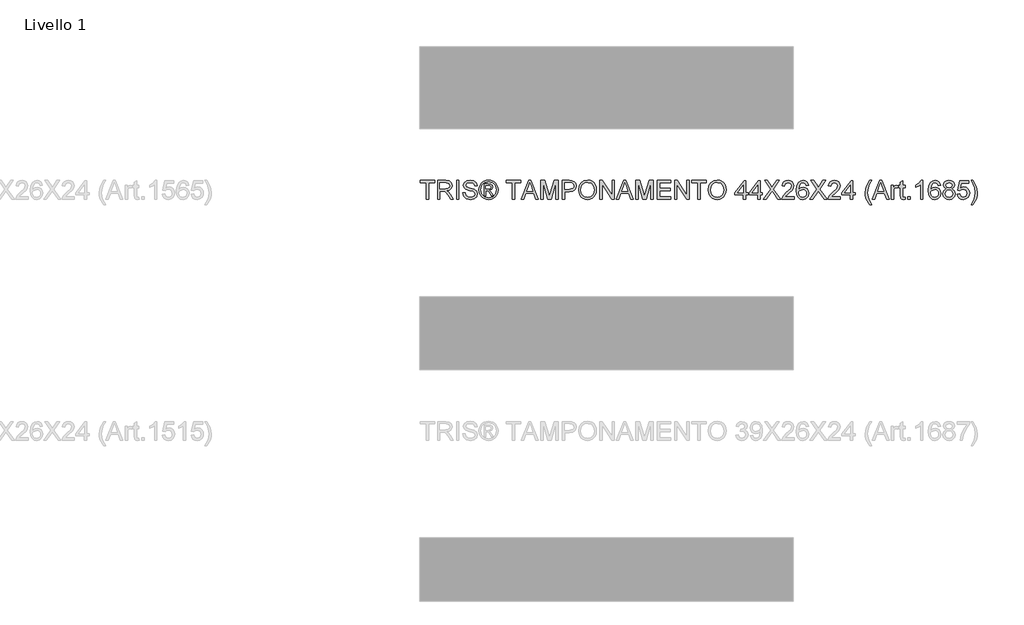
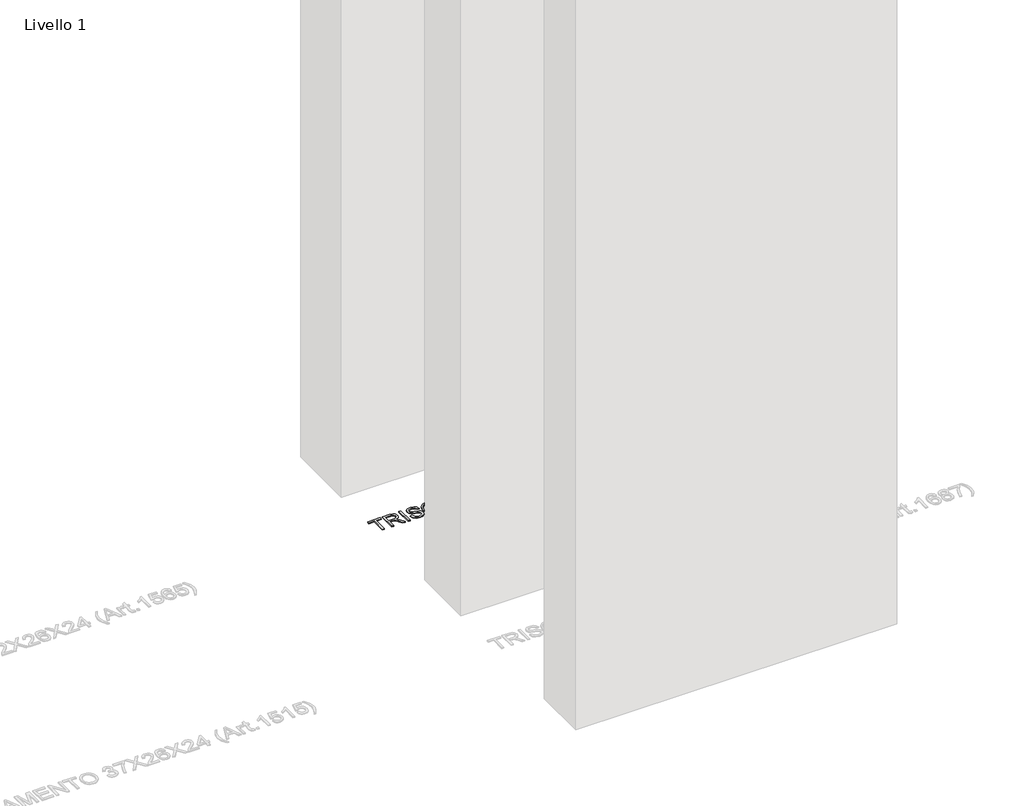
# One storey, part 16 of 16: 1 proxy.
"""IFC4 building model written with IfcOpenShell, lengths in millimetres."""

import ifcopenshell
import ifcopenshell.guid

model = None  # the IFC model being written
_history = None  # IfcOwnerHistory: only IFC2X3 demands one
_inside = {}  # id of a spatial element -> (the spatial element, [elements in it])
_under = {}  # id of a project, library or spatial element -> (it, [spatial elements below it])
_declared = {}  # id of a project -> (the project, [libraries it declares])
_typed = {}  # id of a type object -> (the type object, [elements of that type])
_made_of = {}  # id of a material, layer set ... -> (it, [elements and type objects made of it])


def new_model(schema):
    """Start an empty IFC model of exactly this schema.

    Asked for "IFC4X3", IfcOpenShell would pick the latest addendum, in which some entities
    have other attributes; the version numbers below select the first issue.
    IFC2X3 requires an IfcOwnerHistory on every rooted entity: one is made here for all.
    """
    global model, _history
    if schema == "IFC4X3":
        model = ifcopenshell.file(schema_version=(4, 3, 0, 0))
    else:
        model = ifcopenshell.file(schema=schema)
    _inside.clear()
    _under.clear()
    _declared.clear()
    _typed.clear()
    _made_of.clear()
    _history = None
    if model.schema == "IFC2X3":
        org = make("IfcOrganization", Name="unknown")
        user = make(
            "IfcPersonAndOrganization",
            ThePerson=make("IfcPerson", FamilyName="unknown"),
            TheOrganization=org,
        )
        app = make(
            "IfcApplication",
            ApplicationDeveloper=org,
            Version="unknown",
            ApplicationFullName="unknown",
            ApplicationIdentifier="unknown",
        )
        _history = make(
            "IfcOwnerHistory",
            OwningUser=user,
            OwningApplication=app,
            ChangeAction="ADDED",
            CreationDate=0,
        )
    return model


def make(cls, **values):
    """One entity of the class cls with the attributes given. An attribute that is None is left unset."""
    return model.create_entity(
        cls, **{name: value for name, value in values.items() if value is not None}
    )


def rooted(cls, **values):
    """An entity with a GlobalId (a new one), such as an element, a storey or a relation."""
    return make(cls, GlobalId=ifcopenshell.guid.new(), OwnerHistory=_history, **values)


def si_unit(unit_type, name, prefix=None):
    """IfcSIUnit, for example si_unit("LENGTHUNIT", "METRE", prefix="MILLI")."""
    return make("IfcSIUnit", UnitType=unit_type, Prefix=prefix, Name=name)


def assignment(units):
    """IfcUnitAssignment: the units of a project."""
    return None if units is None else make("IfcUnitAssignment", Units=units)


def point(xyz):
    """IfcCartesianPoint."""
    return None if xyz is None else make("IfcCartesianPoint", Coordinates=xyz)


def direction(xyz):
    """IfcDirection."""
    return None if xyz is None else make("IfcDirection", DirectionRatios=xyz)


def frame(location, z_axis=None, x_axis=None):
    """IfcAxis2Placement3D, a coordinate frame: its origin and axes. An axis left out is left unset."""
    return make(
        "IfcAxis2Placement3D",
        Location=point(location),
        Axis=direction(z_axis),
        RefDirection=direction(x_axis),
    )


def origin():
    """The frame at (0, 0, 0) with its axes left unset."""
    return frame((0.0, 0.0, 0.0))


def origin_with_axes():
    """The frame at (0, 0, 0) with the z axis (0, 0, 1) and the x axis (1, 0, 0) written out."""
    return frame((0.0, 0.0, 0.0), z_axis=(0.0, 0.0, 1.0), x_axis=(1.0, 0.0, 0.0))


def place(relative_to, where):
    """IfcLocalPlacement: puts the frame where relative to a parent placement (None: the world)."""
    return make(
        "IfcLocalPlacement", PlacementRelTo=relative_to, RelativePlacement=where
    )


def context(
    kind, dimensions, precision=None, world=None, true_north=None, identifier=None
):
    """IfcGeometricRepresentationContext, for example the 3D "Model" context."""
    return make(
        "IfcGeometricRepresentationContext",
        ContextIdentifier=identifier,
        ContextType=kind,
        CoordinateSpaceDimension=dimensions,
        Precision=precision,
        WorldCoordinateSystem=world,
        TrueNorth=true_north,
    )


def project(units=None, contexts=None):
    """IfcProject with its units and contexts."""
    return rooted(
        "IfcProject",
        Name="project",
        RepresentationContexts=contexts,
        UnitsInContext=assignment(units),
    )


def spatial(cls, under=None, at=None, **own):
    """A site, building, storey or space (cls), placed at a placement, below another one or the project."""
    s = rooted(cls, ObjectPlacement=at, **own)
    if under is not None:
        _under.setdefault(under.id(), (under, []))[1].append(s)
    return s


def polyline(points):
    """IfcPolyline through the points."""
    return make("IfcPolyline", Points=[point(p) for p in points])


def outline(outer, holes=None, kind="AREA"):
    """IfcArbitraryClosedProfileDef: a profile drawn as a closed curve; with holes, ...WithVoids."""
    if holes is None:
        return make("IfcArbitraryClosedProfileDef", ProfileType=kind, OuterCurve=outer)
    return make(
        "IfcArbitraryProfileDefWithVoids",
        ProfileType=kind,
        OuterCurve=outer,
        InnerCurves=holes,
    )


def extrude(swept, where, along, depth):
    """IfcExtrudedAreaSolid: the profile swept, set in the frame where, extruded along a direction by depth."""
    return make(
        "IfcExtrudedAreaSolid",
        SweptArea=swept,
        Position=where,
        ExtrudedDirection=direction(along),
        Depth=depth,
    )


def shape(context_of_items, identifier, shape_type, items):
    """IfcShapeRepresentation: the items that make up one representation, for example the "Body"."""
    return make(
        "IfcShapeRepresentation",
        ContextOfItems=context_of_items,
        RepresentationIdentifier=identifier,
        RepresentationType=shape_type,
        Items=items,
    )


def made_of(thing, what):
    """Note that an element or type object is made of a material, layer set ...; save() writes the relation."""
    if what is not None:
        _made_of.setdefault(what.id(), (what, []))[1].append(thing)
    return thing


def element(
    cls,
    number,
    at=None,
    inside=None,
    cuts=None,
    type_object=None,
    material=None,
    context=None,
    identifier="Body",
    shape_type=None,
    held_by="IfcProductDefinitionShape",
    body=None,
    shapes=None,
    **own,
):
    """One element of the class cls, such as IfcWall. Its Tag is "e" and its number.

    at: its placement. inside: the storey or other place that contains it. cuts: it is an
    opening in that element (IfcRelVoidsElement). A single representation is given by context,
    identifier, shape_type and body (its items); several are given by shapes. held_by: the class
    of the entity that holds the representations. save() writes the other relations.
    """
    e = rooted(cls, Tag="e%d" % number, ObjectPlacement=at, **own)
    if body is not None:
        shapes = [shape(context, identifier, shape_type, body)]
    if shapes is not None:
        e.Representation = make(held_by, Representations=shapes)
    if inside is not None:
        _inside.setdefault(inside.id(), (inside, []))[1].append(e)
    if cuts is not None:
        rooted(
            "IfcRelVoidsElement", RelatingBuildingElement=cuts, RelatedOpeningElement=e
        )
    if type_object is not None:
        _typed.setdefault(type_object.id(), (type_object, []))[1].append(e)
    return made_of(e, material)


def aggregate(whole, parts):
    """IfcRelAggregates: a whole, such as a stair, and the parts it consists of."""
    return rooted("IfcRelAggregates", RelatingObject=whole, RelatedObjects=parts)


def save(model, path):
    """Write the relations noted so far, then the file.

    IfcRelAggregates (storeys below a building ...), IfcRelContainedInSpatialStructure (elements
    in a storey), IfcRelDefinesByType, IfcRelAssociatesMaterial and IfcRelDeclares: one each for
    every whole, place, type object, material and project.
    """
    for whole, parts in _under.values():
        aggregate(whole, parts)
    for where, things in _inside.values():
        rooted(
            "IfcRelContainedInSpatialStructure",
            RelatedElements=things,
            RelatingStructure=where,
        )
    for kind, things in _typed.values():
        rooted("IfcRelDefinesByType", RelatedObjects=things, RelatingType=kind)
    for what, things in _made_of.values():
        rooted("IfcRelAssociatesMaterial", RelatedObjects=things, RelatingMaterial=what)
    for by, libraries in _declared.values():
        rooted("IfcRelDeclares", RelatingContext=by, RelatedDefinitions=libraries)
    model.write(path)


model = new_model("IFC4")

# Units and contexts
model_context = context("Model", 3, world=origin())
ifc_project = project(units=[si_unit("LENGTHUNIT", "METRE", prefix="MILLI")], contexts=[model_context])

# Site, building, storey
site = spatial("IfcSite", under=ifc_project)
building = spatial("IfcBuilding", under=site)
storey = spatial("IfcBuildingStorey", under=building, Name="Livello 1", Elevation=0.0)

# Proxy
placement = place(None, origin())
element("IfcBuildingElementProxy", 1, Name="100", ObjectType="100", at=placement, inside=storey, context=model_context, shape_type="SweptSolid", body=[
    extrude(outline(polyline([(2625.2646003, 7289.0708569), (2625.2646003, 7376.9701283), (2592.3023735, 7376.9701283), (2592.3023735, 7389.527167), (2670.7838658, 7389.527167), (2670.7838658, 7376.9701283), (2637.8216391, 7376.9701283), (2637.8216391, 7289.0708569), (2625.2646003, 7289.0708569)])), origin_with_axes(), (0.0, 0.0, 1.0), 5.0),
    extrude(outline(polyline([(2684.9105345, 7289.0708569), (2684.9105345, 7389.527167), (2728.1979826, 7389.527167), (2748.2966022, 7386.817103), (2759.2840112, 7377.2276457), (2763.3920268, 7362.0341193), (2761.6905725, 7352.1380936), (2756.5862099, 7343.9343251), (2747.9256546, 7337.9194545), (2735.5556225, 7334.5901224), (2742.6925332, 7329.2190453), (2752.8706017, 7316.2941245), (2769.6214952, 7289.0708569), (2755.0288427, 7289.0708569), (2741.9567692, 7309.8929778), (2732.5144646, 7323.6762899), (2725.880326, 7330.1878012), (2719.9083749, 7332.5790342), (2712.6243114, 7333.0204926), (2697.4675732, 7333.0204926), (2697.4675732, 7289.0708569), (2684.9105345, 7289.0708569)]), holes=[polyline([(2697.4675732, 7345.5775314), (2725.5737577, 7345.5775314), (2739.9088927, 7347.3556277), (2748.0513476, 7353.0455359), (2750.834988, 7361.5681354), (2745.5252245, 7372.6291207), (2728.7375428, 7376.9701283), (2697.4675732, 7376.9701283), (2697.4675732, 7345.5775314)])]), origin_with_axes(), (0.0, 0.0, 1.0), 5.0),
    extrude(outline(polyline([(2786.9364745, 7289.0708569), (2786.9364745, 7389.527167), (2799.4935132, 7389.527167), (2799.4935132, 7289.0708569), (2786.9364745, 7289.0708569)])), origin_with_axes(), (0.0, 0.0, 1.0), 5.0),
    extrude(outline(polyline([(2819.8987012, 7323.6027135), (2832.45574, 7323.6027135), (2836.5024419, 7311.033412), (2846.3862049, 7303.0871609), (2861.4448412, 7300.0582658), (2874.5659657, 7302.3513969), (2883.0395143, 7308.6544418), (2885.8231548, 7317.0789395), (2883.7384901, 7324.914826), (2875.2036278, 7330.6169969), (2856.9198927, 7335.4117256), (2837.2382059, 7341.6044058), (2826.5573653, 7350.9486085), (2823.0379609, 7363.4320709), (2827.3912312, 7377.6445786), (2840.1076855, 7387.6754943), (2858.7225144, 7391.0967969), (2878.5881422, 7387.5160788), (2891.831894, 7376.9946537), (2896.8105637, 7361.2738298), (2884.2535249, 7361.2738298), (2881.9481311, 7368.7663598), (2877.1411397, 7374.1742251), (2859.2130238, 7378.5397581), (2841.2358569, 7374.2232761), (2835.5949997, 7363.7999529), (2839.5926507, 7355.0934123), (2860.0959406, 7348.0791289), (2882.3160131, 7341.7760841), (2894.4683816, 7331.5980155), (2898.3801935, 7317.3977705), (2893.8797705, 7302.3759224), (2880.9303242, 7291.4130389), (2861.9353505, 7287.5012271), (2839.5068116, 7291.7196073), (2825.3188293, 7304.4237988), (2819.8987012, 7323.6027135)])), origin_with_axes(), (0.0, 0.0, 1.0), 5.0),
    extrude(outline(polyline([(2934.48168, 7307.9064151), (2934.48168, 7370.6916089), (2954.7642407, 7370.6916089), (2969.822877, 7368.9625635), (2977.2418306, 7362.9292988), (2980.0009455, 7353.7690371), (2975.2430051, 7341.8496605), (2962.6369154, 7336.1597523), (2967.5420086, 7332.8242889), (2976.1013964, 7320.2917756), (2983.1402052, 7307.9064151), (2972.5452038, 7307.9064151), (2967.0269738, 7317.8637544), (2957.780873, 7332.2847286), (2949.7610455, 7334.5901224), (2943.8994591, 7334.5901224), (2943.8994591, 7307.9064151), (2934.48168, 7307.9064151)]), holes=[polyline([(2943.8994591, 7344.0079015), (2955.8188357, 7344.0079015), (2967.4684322, 7346.3991345), (2970.5831664, 7352.7389675), (2969.087113, 7357.3007043), (2964.9300465, 7360.2928112), (2955.0585463, 7361.2738298), (2943.8994591, 7361.2738298), (2943.8994591, 7344.0079015)])]), origin_with_axes(), (0.0, 0.0, 1.0), 5.0),
    extrude(outline(polyline([(2958.0506531, 7391.0967969), (2970.9449171, 7389.4229338), (2983.5326127, 7384.4013446), (2994.5905323, 7376.2650211), (3002.8954684, 7365.2469554), (3008.0918015, 7352.5243697), (3009.8239126, 7339.2744865), (3008.116327, 7326.1410993), (3002.9935702, 7313.5227468), (2994.7898017, 7302.544535), (2983.839181, 7294.3315694), (2971.2300256, 7289.2088126), (2958.0506531, 7287.5012271), (2944.8896748, 7289.2088126), (2932.2866508, 7294.3315694), (2921.326833, 7302.544535), (2913.0954733, 7313.5227468), (2907.9451254, 7326.1410993), (2906.2283428, 7339.2744865), (2907.9696509, 7352.5243697), (2913.1935752, 7365.2469554), (2921.5261024, 7376.2650211), (2932.5932191, 7384.4013446), (2945.1747833, 7389.4229338), (2958.0506531, 7391.0967969)]), holes=[polyline([(2958.0506531, 7381.6790178), (2937.2285322, 7376.1975761), (2928.2000949, 7369.5358463), (2921.3728182, 7360.5135404), (2915.6461218, 7339.2744865), (2921.2624536, 7318.2193737), (2936.9832776, 7302.5353379), (2958.0506531, 7296.9190061), (2979.1302915, 7302.5353379), (2994.8143272, 7318.2193737), (3000.4061335, 7339.2744865), (2994.7162253, 7360.5135404), (2987.9073427, 7369.5358463), (2978.8605113, 7376.1975761), (2958.0506531, 7381.6790178)])]), origin_with_axes(), (0.0, 0.0, 1.0), 5.0),
    extrude(outline(polyline([(3085.1661452, 7289.0708569), (3085.1661452, 7376.9701283), (3052.2039184, 7376.9701283), (3052.2039184, 7389.527167), (3130.6854107, 7389.527167), (3130.6854107, 7376.9701283), (3097.723184, 7376.9701283), (3097.723184, 7289.0708569), (3085.1661452, 7289.0708569)])), origin_with_axes(), (0.0, 0.0, 1.0), 5.0),
    extrude(outline(polyline([(3133.1134319, 7289.0708569), (3173.2125694, 7389.527167), (3183.9056727, 7389.527167), (3224.0048102, 7289.0708569), (3210.7365329, 7289.0708569), (3199.2340892, 7320.4634538), (3157.8596275, 7320.4634538), (3146.3817092, 7289.0708569), (3133.1134319, 7289.0708569)]), holes=[polyline([(3162.4704151, 7333.0204926), (3194.647827, 7333.0204926), (3185.5979299, 7357.7176372), (3178.5591211, 7376.9701283), (3172.3051271, 7359.8758782), (3162.4704151, 7333.0204926)])]), origin_with_axes(), (0.0, 0.0, 1.0), 5.0),
    extrude(outline(polyline([(3237.4202403, 7289.0708569), (3237.4202403, 7389.527167), (3259.0271761, 7389.527167), (3279.5795169, 7318.7221457), (3283.7243207, 7303.9332895), (3288.2124811, 7319.948419), (3308.4214654, 7389.527167), (3330.0284012, 7389.527167), (3330.0284012, 7289.0708569), (3317.4713624, 7289.0708569), (3317.4713624, 7376.9701283), (3292.2346576, 7289.0708569), (3275.2139839, 7289.0708569), (3249.9772791, 7376.9701283), (3249.9772791, 7289.0708569), (3237.4202403, 7289.0708569)])), origin_with_axes(), (0.0, 0.0, 1.0), 5.0),
    extrude(outline(polyline([(3352.003219, 7289.0708569), (3352.003219, 7389.527167), (3389.232877, 7389.527167), (3404.2424624, 7388.5706739), (3416.4438819, 7383.8740471), (3424.3533448, 7374.1619624), (3427.3454517, 7360.4644894), (3425.3251664, 7348.6248206), (3419.2643105, 7338.7594517), (3407.9304794, 7332.1007876), (3390.0912683, 7329.8812329), (3364.5602578, 7329.8812329), (3364.5602578, 7289.0708569), (3352.003219, 7289.0708569)]), holes=[polyline([(3364.5602578, 7342.4382717), (3390.8270323, 7342.4382717), (3409.3192339, 7347.0490593), (3413.4211181, 7352.5979461), (3414.7884129, 7360.023031), (3411.5633141, 7370.4218288), (3403.0897654, 7376.111737), (3390.5327267, 7376.9701283), (3364.5602578, 7376.9701283), (3364.5602578, 7342.4382717)])]), origin_with_axes(), (0.0, 0.0, 1.0), 5.0),
    extrude(outline(polyline([(3439.9024904, 7337.9746368), (3443.2502166, 7360.1885779), (3453.2933951, 7376.9946537), (3468.6279429, 7387.5712611), (3487.8497771, 7391.0967969), (3501.0260839, 7389.4413279), (3512.8412273, 7384.474921), (3522.6514139, 7376.547064), (3529.81285, 7366.0072448), (3534.1906458, 7353.3643669), (3535.649911, 7339.1273337), (3534.1140037, 7324.7002281), (3529.5062817, 7311.8795406), (3522.0811968, 7301.3213273), (3512.0932006, 7293.6816446), (3500.3792248, 7289.0463314), (3487.7762007, 7287.5012271), (3474.3975588, 7289.2088126), (3462.5149704, 7294.3315694), (3452.7293093, 7302.4065792), (3445.6414496, 7312.9709239), (3439.9024904, 7337.9746368)]), holes=[polyline([(3452.4595292, 7337.8520095), (3454.9703238, 7322.1373169), (3462.5027077, 7310.162758), (3473.8242761, 7302.5843889), (3487.7026243, 7300.0582658), (3501.7833077, 7302.6089143), (3513.1232702, 7310.2608598), (3520.6004718, 7322.6033008), (3523.0928723, 7339.2254356), (3518.8254411, 7359.9494546), (3506.3542415, 7373.6714531), (3487.9233535, 7378.5397581), (3474.4159529, 7376.1945104), (3462.9319033, 7369.1587672), (3455.0776227, 7356.6415824), (3452.4595292, 7337.8520095)])]), origin_with_axes(), (0.0, 0.0, 1.0), 5.0),
    extrude(outline(polyline([(3552.9158393, 7289.0708569), (3552.9158393, 7389.527167), (3566.3557949, 7389.527167), (3618.8402929, 7309.9420288), (3618.8402929, 7389.527167), (3631.3973317, 7389.527167), (3631.3973317, 7289.0708569), (3617.9573761, 7289.0708569), (3565.4728781, 7368.6805207), (3565.4728781, 7289.0708569), (3552.9158393, 7289.0708569)])), origin_with_axes(), (0.0, 0.0, 1.0), 5.0),
    extrude(outline(polyline([(3641.673502, 7289.0708569), (3681.7726395, 7389.527167), (3692.4657429, 7389.527167), (3732.5648803, 7289.0708569), (3719.296603, 7289.0708569), (3707.7941593, 7320.4634538), (3666.4196976, 7320.4634538), (3654.9417793, 7289.0708569), (3641.673502, 7289.0708569)]), holes=[polyline([(3671.0304853, 7333.0204926), (3703.2078971, 7333.0204926), (3694.158, 7357.7176372), (3687.1191912, 7376.9701283), (3680.8651973, 7359.8758782), (3671.0304853, 7333.0204926)])]), origin_with_axes(), (0.0, 0.0, 1.0), 5.0),
    extrude(outline(polyline([(3745.9803104, 7289.0708569), (3745.9803104, 7389.527167), (3767.5872463, 7389.527167), (3788.1395871, 7318.7221457), (3792.2843909, 7303.9332895), (3796.7725512, 7319.948419), (3816.9815355, 7389.527167), (3838.5884713, 7389.527167), (3838.5884713, 7289.0708569), (3826.0314326, 7289.0708569), (3826.0314326, 7376.9701283), (3800.7947277, 7289.0708569), (3783.7740541, 7289.0708569), (3758.5373492, 7376.9701283), (3758.5373492, 7289.0708569), (3745.9803104, 7289.0708569)])), origin_with_axes(), (0.0, 0.0, 1.0), 5.0),
    extrude(outline(polyline([(3860.5632892, 7289.0708569), (3860.5632892, 7389.527167), (3932.7662621, 7389.527167), (3932.7662621, 7376.9701283), (3873.1203279, 7376.9701283), (3873.1203279, 7347.1471612), (3929.6270024, 7347.1471612), (3929.6270024, 7334.5901224), (3873.1203279, 7334.5901224), (3873.1203279, 7301.6278957), (3934.3358919, 7301.6278957), (3934.3358919, 7289.0708569), (3860.5632892, 7289.0708569)])), origin_with_axes(), (0.0, 0.0, 1.0), 5.0),
    extrude(outline(polyline([(3953.1714501, 7289.0708569), (3953.1714501, 7389.527167), (3966.6114057, 7389.527167), (4019.0959036, 7309.9420288), (4019.0959036, 7389.527167), (4031.6529424, 7389.527167), (4031.6529424, 7289.0708569), (4018.2129868, 7289.0708569), (3965.7284889, 7368.6805207), (3965.7284889, 7289.0708569), (3953.1714501, 7289.0708569)])), origin_with_axes(), (0.0, 0.0, 1.0), 5.0),
    extrude(outline(polyline([(4078.7418378, 7289.0708569), (4078.7418378, 7376.9701283), (4045.779611, 7376.9701283), (4045.779611, 7389.527167), (4124.2611033, 7389.527167), (4124.2611033, 7376.9701283), (4091.2988766, 7376.9701283), (4091.2988766, 7289.0708569), (4078.7418378, 7289.0708569)])), origin_with_axes(), (0.0, 0.0, 1.0), 5.0),
    extrude(outline(polyline([(4133.6788824, 7337.9746368), (4137.0266086, 7360.1885779), (4147.069787, 7376.9946537), (4162.4043349, 7387.5712611), (4181.6261691, 7391.0967969), (4194.8024759, 7389.4413279), (4206.6176193, 7384.474921), (4216.4278058, 7376.547064), (4223.589242, 7366.0072448), (4227.9670378, 7353.3643669), (4229.426303, 7339.1273337), (4227.8903957, 7324.7002281), (4223.2826737, 7311.8795406), (4215.8575888, 7301.3213273), (4205.8695926, 7293.6816446), (4194.1556167, 7289.0463314), (4181.5525927, 7287.5012271), (4168.1739508, 7289.2088126), (4156.2913624, 7294.3315694), (4146.5057013, 7302.4065792), (4139.4178415, 7312.9709239), (4133.6788824, 7337.9746368)]), holes=[polyline([(4146.2359212, 7337.8520095), (4148.7467158, 7322.1373169), (4156.2790996, 7310.162758), (4167.600668, 7302.5843889), (4181.4790163, 7300.0582658), (4195.5596997, 7302.6089143), (4206.8996622, 7310.2608598), (4214.3768637, 7322.6033008), (4216.8692642, 7339.2254356), (4212.6018331, 7359.9494546), (4200.1306335, 7373.6714531), (4181.6997455, 7378.5397581), (4168.1923449, 7376.1945104), (4156.7082953, 7369.1587672), (4148.8540147, 7356.6415824), (4146.2359212, 7337.8520095)])]), origin_with_axes(), (0.0, 0.0, 1.0), 5.0),
    extrude(outline(polyline([(4322.0344639, 7289.0708569), (4322.0344639, 7312.6153046), (4276.5151984, 7312.6153046), (4276.5151984, 7325.1723434), (4325.1737236, 7387.9575372), (4334.5915027, 7387.9575372), (4334.5915027, 7325.1723434), (4347.1485415, 7325.1723434), (4347.1485415, 7312.6153046), (4334.5915027, 7312.6153046), (4334.5915027, 7289.0708569), (4322.0344639, 7289.0708569)]), holes=[polyline([(4322.0344639, 7325.1723434), (4322.0344639, 7363.9716311), (4291.9662422, 7325.1723434), (4322.0344639, 7325.1723434)])]), origin_with_axes(), (0.0, 0.0, 1.0), 5.0),
    extrude(outline(polyline([(4398.9463264, 7289.0708569), (4398.9463264, 7312.6153046), (4353.4270609, 7312.6153046), (4353.4270609, 7325.1723434), (4402.0855861, 7387.9575372), (4411.5033652, 7387.9575372), (4411.5033652, 7325.1723434), (4424.0604039, 7325.1723434), (4424.0604039, 7312.6153046), (4411.5033652, 7312.6153046), (4411.5033652, 7289.0708569), (4398.9463264, 7289.0708569)]), holes=[polyline([(4398.9463264, 7325.1723434), (4398.9463264, 7363.9716311), (4368.8781046, 7325.1723434), (4398.9463264, 7325.1723434)])]), origin_with_axes(), (0.0, 0.0, 1.0), 5.0),
    extrude(outline(polyline([(4428.7692935, 7289.0708569), (4467.4950048, 7343.8116978), (4435.0478128, 7389.527167), (4450.1064492, 7389.527167), (4468.3779216, 7363.7999529), (4474.5338137, 7353.7690371), (4481.7443008, 7363.9716311), (4499.8195695, 7389.527167), (4515.098935, 7389.527167), (4482.651743, 7343.664545), (4521.3774544, 7289.0708569), (4506.318818, 7289.0708569), (4480.5180275, 7325.466649), (4475.1469503, 7333.0204926), (4469.2363129, 7324.730885), (4444.048659, 7289.0708569), (4428.7692935, 7289.0708569)])), origin_with_axes(), (0.0, 0.0, 1.0), 5.0),
    extrude(outline(polyline([(4593.5804273, 7301.6278957), (4593.5804273, 7289.0708569), (4527.6559738, 7289.0708569), (4529.0048744, 7297.7283465), (4536.6322944, 7311.0579375), (4552.3531184, 7325.6138018), (4574.0336306, 7346.5340245), (4579.4537587, 7360.758795), (4574.340199, 7372.2735015), (4560.9860825, 7376.9701283), (4547.0678804, 7372.3838661), (4541.7826424, 7359.7042), (4529.2256036, 7361.2738298), (4532.2698271, 7373.420067), (4538.8518492, 7382.2921545), (4548.6283132, 7387.7184139), (4561.2558627, 7389.527167), (4573.9753826, 7387.5160788), (4583.7334526, 7381.4828141), (4589.9414612, 7372.4697052), (4592.0107975, 7361.5190845), (4589.77898, 7349.6119706), (4582.3600264, 7337.3001865), (4564.3705969, 7320.0955718), (4549.9250972, 7308.0167797), (4544.2597145, 7301.6278957), (4593.5804273, 7301.6278957)])), origin_with_axes(), (0.0, 0.0, 1.0), 5.0),
    extrude(outline(polyline([(4670.4922898, 7362.8434597), (4657.935251, 7361.2738298), (4653.1773105, 7371.7462039), (4640.5957463, 7376.9701283), (4629.2649808, 7373.9289705), (4620.6933303, 7362.5123659), (4617.124875, 7340.1328778), (4628.198123, 7350.1515308), (4641.9201215, 7353.4256806), (4653.5206671, 7351.1877318), (4663.2572772, 7344.4738854), (4669.860759, 7334.2161091), (4672.0619196, 7321.3463706), (4667.9171158, 7304.0191286), (4656.5127739, 7291.7563955), (4640.056186, 7287.5012271), (4625.8099558, 7290.3216557), (4614.4638619, 7298.7829416), (4607.0418426, 7313.7189506), (4604.5678362, 7335.9635486), (4607.3146885, 7360.9733929), (4615.5552451, 7378.0737743), (4626.8063028, 7386.6638189), (4641.3805612, 7389.527167), (4652.398627, 7387.7552021), (4661.2216635, 7382.4393073), (4667.402081, 7373.9964155), (4670.4922898, 7362.8434597)]), holes=[polyline([(4617.124875, 7321.5425743), (4620.0311428, 7310.66553), (4627.7566647, 7302.7683299), (4639.0751674, 7300.0582658), (4647.3617093, 7301.4623488), (4653.8762863, 7305.6745976), (4658.0977322, 7312.2964735), (4659.5048808, 7320.9294377), (4658.1161263, 7329.2159796), (4653.9498627, 7335.5343529), (4647.3249211, 7339.5350696), (4638.5601326, 7340.8686418), (4623.3666062, 7335.5343529), (4618.6853078, 7329.3692638), (4617.124875, 7321.5425743)])]), origin_with_axes(), (0.0, 0.0, 1.0), 5.0),
    extrude(outline(polyline([(4676.7708091, 7289.0708569), (4715.4965205, 7343.8116978), (4683.0493285, 7389.527167), (4698.1079649, 7389.527167), (4716.3794373, 7363.7999529), (4722.5353293, 7353.7690371), (4729.7458165, 7363.9716311), (4747.8210851, 7389.527167), (4763.1004507, 7389.527167), (4730.6532587, 7343.664545), (4769.3789701, 7289.0708569), (4754.3203337, 7289.0708569), (4728.5195431, 7325.466649), (4723.148466, 7333.0204926), (4717.2378286, 7324.730885), (4692.0501747, 7289.0708569), (4676.7708091, 7289.0708569)])), origin_with_axes(), (0.0, 0.0, 1.0), 5.0),
    extrude(outline(polyline([(4841.581943, 7301.6278957), (4841.581943, 7289.0708569), (4775.6574894, 7289.0708569), (4777.0063901, 7297.7283465), (4784.6338101, 7311.0579375), (4800.3546341, 7325.6138018), (4822.0351463, 7346.5340245), (4827.4552744, 7360.758795), (4822.3417146, 7372.2735015), (4808.9875982, 7376.9701283), (4795.0693961, 7372.3838661), (4789.7841581, 7359.7042), (4777.2271193, 7361.2738298), (4780.2713428, 7373.420067), (4786.8533648, 7382.2921545), (4796.6298289, 7387.7184139), (4809.2573783, 7389.527167), (4821.9768983, 7387.5160788), (4831.7349682, 7381.4828141), (4837.9429769, 7372.4697052), (4840.0123131, 7361.5190845), (4837.7804957, 7349.6119706), (4830.3615421, 7337.3001865), (4812.3721126, 7320.0955718), (4797.9266129, 7308.0167797), (4792.2612302, 7301.6278957), (4841.581943, 7301.6278957)])), origin_with_axes(), (0.0, 0.0, 1.0), 5.0),
    extrude(outline(polyline([(4894.9493578, 7289.0708569), (4894.9493578, 7312.6153046), (4849.4300922, 7312.6153046), (4849.4300922, 7325.1723434), (4898.0886174, 7387.9575372), (4907.5063965, 7387.9575372), (4907.5063965, 7325.1723434), (4920.0634353, 7325.1723434), (4920.0634353, 7312.6153046), (4907.5063965, 7312.6153046), (4907.5063965, 7289.0708569), (4894.9493578, 7289.0708569)]), holes=[polyline([(4894.9493578, 7325.1723434), (4894.9493578, 7363.9716311), (4864.881136, 7325.1723434), (4894.9493578, 7325.1723434)])]), origin_with_axes(), (0.0, 0.0, 1.0), 5.0),
    extrude(outline(polyline([(4998.5449276, 7260.8175197), (4980.7149136, 7290.2726048), (4975.2518659, 7307.4526939), (4973.4308501, 7325.2459198), (4978.8755036, 7355.7801254), (4998.5449276, 7389.527167), (5007.9627067, 7389.527167), (4996.2150083, 7369.6370138), (4989.151674, 7350.3599973), (4985.9878888, 7325.1723434), (4991.4815933, 7292.9826688), (5007.9627067, 7260.8175197), (4998.5449276, 7260.8175197)])), origin_with_axes(), (0.0, 0.0, 1.0), 5.0),
    extrude(outline(polyline([(5010.3907278, 7289.0708569), (5050.4898653, 7389.527167), (5061.1829686, 7389.527167), (5101.2821061, 7289.0708569), (5088.0138288, 7289.0708569), (5076.5113851, 7320.4634538), (5035.1369234, 7320.4634538), (5023.6590051, 7289.0708569), (5010.3907278, 7289.0708569)]), holes=[polyline([(5039.7477111, 7333.0204926), (5071.9251229, 7333.0204926), (5062.8752258, 7357.7176372), (5055.836417, 7376.9701283), (5049.5824231, 7359.8758782), (5039.7477111, 7333.0204926)])]), origin_with_axes(), (0.0, 0.0, 1.0), 5.0),
    extrude(outline(polyline([(5113.1279064, 7289.0708569), (5113.1279064, 7362.8434597), (5124.1153153, 7362.8434597), (5124.1153153, 7351.9296271), (5131.9144136, 7361.9850683), (5139.7625628, 7364.4130895), (5152.3686525, 7360.5380658), (5148.1747978, 7349.2808768), (5139.3456299, 7351.8560507), (5132.2455074, 7349.3789786), (5127.7205588, 7342.5118481), (5125.6849451, 7327.8456192), (5125.6849451, 7289.0708569), (5113.1279064, 7289.0708569)])), origin_with_axes(), (0.0, 0.0, 1.0), 5.0),
    extrude(outline(polyline([(5186.9005091, 7299.543231), (5188.470139, 7288.7029749), (5179.0768854, 7287.5012271), (5168.5554603, 7289.5858917), (5163.3070105, 7295.0550707), (5161.7864316, 7309.3043666), (5161.7864316, 7350.2864209), (5152.3686525, 7350.2864209), (5152.3686525, 7362.8434597), (5161.7864316, 7362.8434597), (5161.7864316, 7380.7715756), (5174.3434704, 7388.1537409), (5174.3434704, 7362.8434597), (5186.9005091, 7362.8434597), (5186.9005091, 7350.2864209), (5174.3434704, 7350.2864209), (5174.3434704, 7309.6722486), (5175.0056579, 7303.1975255), (5177.1516363, 7300.9043944), (5181.4313301, 7300.0582658), (5186.9005091, 7299.543231)])), origin_with_axes(), (0.0, 0.0, 1.0), 5.0),
    extrude(outline(polyline([(5202.5968076, 7289.0708569), (5202.5968076, 7301.6278957), (5215.1538464, 7301.6278957), (5215.1538464, 7289.0708569), (5202.5968076, 7289.0708569)])), origin_with_axes(), (0.0, 0.0, 1.0), 5.0),
    extrude(outline(polyline([(5282.6479297, 7289.0708569), (5270.090891, 7289.0708569), (5270.090891, 7367.3561455), (5258.1960398, 7358.8825969), (5244.9768134, 7352.5427638), (5244.9768134, 7364.4130895), (5263.3831759, 7376.1607879), (5274.5545258, 7389.527167), (5282.6479297, 7389.527167), (5282.6479297, 7289.0708569)])), origin_with_axes(), (0.0, 0.0, 1.0), 5.0),
    extrude(outline(polyline([(5376.8257205, 7362.8434597), (5364.2686817, 7361.2738298), (5359.5107413, 7371.7462039), (5346.929177, 7376.9701283), (5335.5984116, 7373.9289705), (5327.0267611, 7362.5123659), (5323.4583057, 7340.1328778), (5334.5315538, 7350.1515308), (5348.2535522, 7353.4256806), (5359.8540978, 7351.1877318), (5369.5907079, 7344.4738854), (5376.1941897, 7334.2161091), (5378.3953503, 7321.3463706), (5374.2505465, 7304.0191286), (5362.8462047, 7291.7563955), (5346.3896168, 7287.5012271), (5332.1433865, 7290.3216557), (5320.7972926, 7298.7829416), (5313.3752734, 7313.7189506), (5310.901267, 7335.9635486), (5313.6481192, 7360.9733929), (5321.8886759, 7378.0737743), (5333.1397336, 7386.6638189), (5347.7139919, 7389.527167), (5358.7320577, 7387.7552021), (5367.5550942, 7382.4393073), (5373.7355117, 7373.9964155), (5376.8257205, 7362.8434597)]), holes=[polyline([(5323.4583057, 7321.5425743), (5326.3645735, 7310.66553), (5334.0900954, 7302.7683299), (5345.4085981, 7300.0582658), (5353.6951401, 7301.4623488), (5360.2097171, 7305.6745976), (5364.4311629, 7312.2964735), (5365.8383116, 7320.9294377), (5364.449557, 7329.2159796), (5360.2832935, 7335.5343529), (5353.6583519, 7339.5350696), (5344.8935633, 7340.8686418), (5329.7000369, 7335.5343529), (5325.0187385, 7329.3692638), (5323.4583057, 7321.5425743)])]), origin_with_axes(), (0.0, 0.0, 1.0), 5.0),
    extrude(outline(polyline([(5407.6787572, 7344.400309), (5396.2376271, 7352.1994073), (5392.522019, 7364.3395131), (5394.5453699, 7374.155831), (5400.6154229, 7382.267629), (5410.051596, 7387.7122825), (5422.1733078, 7389.527167), (5434.3685959, 7387.669363), (5443.9273964, 7382.0959507), (5450.1078139, 7373.8553941), (5452.1679531, 7363.9961566), (5448.5013959, 7352.1626191), (5437.3790969, 7344.400309), (5450.7332133, 7334.5533342), (5455.3072128, 7318.3052128), (5453.0386072, 7306.299997), (5446.2327903, 7296.3794459), (5435.7236279, 7289.7207818), (5422.344986, 7287.5012271), (5408.9663441, 7289.7299788), (5398.4571818, 7296.4162341), (5391.6513649, 7306.4318214), (5389.3827593, 7318.6485693), (5394.1406997, 7335.2768355), (5407.6787572, 7344.400309)]), holes=[polyline([(5401.939798, 7319.0900277), (5404.0367254, 7309.6354604), (5411.455679, 7302.5598634), (5422.4430879, 7300.0582658), (5430.9902129, 7301.373444), (5437.4036224, 7305.3189784), (5442.750174, 7318.6976202), (5437.2319441, 7332.3337795), (5430.6713819, 7336.3804815), (5422.026155, 7337.7293821), (5413.5985916, 7336.3988756), (5407.2495615, 7332.4073559), (5401.939798, 7319.0900277)]), polyline([(5405.0790577, 7363.9716311), (5409.5304299, 7354.1123936), (5422.4921388, 7350.2864209), (5435.1963304, 7354.0878682), (5439.6109143, 7363.4075454), (5435.0491776, 7373.0583164), (5422.344986, 7376.9701283), (5409.6040063, 7373.1441555), (5405.0790577, 7363.9716311)])]), origin_with_axes(), (0.0, 0.0, 1.0), 5.0),
    extrude(outline(polyline([(5466.2946217, 7315.7545643), (5478.8516605, 7317.3241941), (5485.1792308, 7304.3870106), (5498.3003553, 7300.0582658), (5507.3012015, 7301.5635163), (5514.0457047, 7306.0792678), (5518.2579535, 7313.0843541), (5519.6620365, 7322.0576091), (5514.401324, 7336.9690927), (5507.7947765, 7341.0709769), (5498.496559, 7342.4382717), (5487.4723619, 7340.2555052), (5480.4212903, 7334.5901224), (5467.8642516, 7336.1597523), (5478.8516605, 7387.9575372), (5527.5101857, 7387.9575372), (5527.5101857, 7375.4004984), (5489.0052036, 7375.4004984), (5483.6341264, 7347.7357724), (5492.6043157, 7353.1804259), (5502.0037007, 7354.9953104), (5513.7360707, 7352.7450989), (5523.4757465, 7345.9944643), (5530.0332431, 7335.7060312), (5532.2190753, 7322.8424241), (5530.2509066, 7310.2853853), (5524.3464006, 7299.543231), (5513.0401606, 7290.511728), (5498.2513044, 7287.5012271), (5485.9180605, 7289.4356732), (5476.0925455, 7295.2390117), (5469.3572393, 7304.2367922), (5466.2946217, 7315.7545643)])), origin_with_axes(), (0.0, 0.0, 1.0), 5.0),
    extrude(outline(polyline([(5549.4850036, 7260.8175197), (5540.0672245, 7260.8175197), (5556.5483379, 7292.9826688), (5562.0420423, 7325.1723434), (5558.8782572, 7350.1392681), (5551.8884993, 7369.4408101), (5540.0672245, 7389.527167), (5549.4850036, 7389.527167), (5569.1544276, 7355.7801254), (5574.5990811, 7325.2459198), (5572.7688682, 7307.4526939), (5567.2782294, 7290.2726048), (5549.4850036, 7260.8175197)])), origin_with_axes(), (0.0, 0.0, 1.0), 5.0),
])

save(model, "model.ifc")
